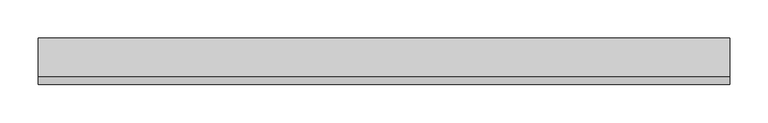
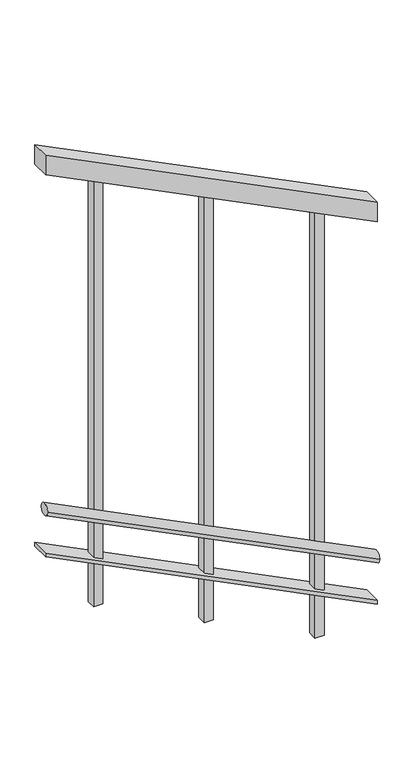
"""IFC4 building model written with IfcOpenShell, lengths in millimetres: railing geometry."""

from ifc_helpers import new_model, si_unit, frame, origin, place, context, project, spatial, polyline, ellipse_curve, outline, extrude, faceted_brep, source, transform, mapped, element, save
from ifc_brep_helpers import plane_surface, cylinder_surface, advanced_brep


def railing_c69ca63a(model_context):
    return source(origin(), model_context, "Body", "SolidModel", [
        faceted_brep([(-6718.2415088, 4316.9665973, -1950.0), (-6718.2415088, 4316.9665973, -2005.9016994), (-6718.2415088, 4366.9665973, -2005.9016994), (-6718.2415088, 4366.9665973, -1950.0), (-7618.2415088, 4316.9665973, -1500.0), (-7618.2415088, 4366.9665973, -1500.0), (-7618.2415088, 4366.9665973, -1555.9016994), (-7618.2415088, 4316.9665973, -1555.9016994)], [[[0, 1, 2, 3]], [[4, 5, 6, 7]], [[1, 0, 4, 7]], [[2, 1, 7, 6]], [[3, 2, 6, 5]], [[0, 3, 5, 4]]]),
        advanced_brep(
        [(-6718.2415088, 4336.9665973, -2966.7705098), (-6718.2415088, 4306.9665973, -2966.7705098), (-7618.2415088, 4336.9665973, -2516.7705098), (-7618.2415088, 4306.9665973, -2516.7705098)],
        [
            (0, 1, ellipse_curve(frame((-6718.2415088, 4321.9665973, -2966.7705098), z_axis=(1.0, 0.0, 0.0), x_axis=(0.0, 0.0, -1.0)), 16.7705098, 15.0)),
            (1, 0, ellipse_curve(frame((-6718.2415088, 4321.9665973, -2966.7705098), z_axis=(1.0, 0.0, 0.0), x_axis=(0.0, 0.0, -1.0)), 16.7705098, 15.0)),
            (2, 3, ellipse_curve(frame((-7618.2415088, 4321.9665973, -2516.7705098), z_axis=(-1.0, 0.0, 0.0), x_axis=(0.0, 0.0, -1.0)), 16.7705098, 15.0)),
            (3, 2, ellipse_curve(frame((-7618.2415088, 4321.9665973, -2516.7705098), z_axis=(-1.0, 0.0, 0.0), x_axis=(0.0, 0.0, -1.0)), 16.7705098, 15.0)),
            (0, 2),
            (3, 1),
        ],
        [
            plane_surface(frame((-6718.2415088, 4321.9665973, -2950.0), z_axis=(1.0, 0.0, 0.0), x_axis=(0.0, -1.0, 0.0))),
            plane_surface(frame((-7618.2415088, 4321.9665973, -2500.0), z_axis=(-1.0, 0.0, 0.0), x_axis=(0.0, -1.0, 0.0))),
            cylinder_surface(frame((-6724.9497128, 4321.9665973, -2963.4164079), z_axis=(0.894427190999916, 0.0, -0.447213595499958), x_axis=(0.0, -1.0, 0.0)), 15.0),
        ],
        [
            (0, [[1, 2]]),
            (1, [[3, 4]]),
            (2, [[-1, 5, -4, 6]]),
            (2, [[-2, -6, -3, -5]]),
        ],
    ),
        faceted_brep([(-6718.2415088, 4316.9665973, -3090.0), (-6718.2415088, 4316.9665973, -3101.1803399), (-6718.2415088, 4366.9665973, -3101.1803399), (-6718.2415088, 4366.9665973, -3090.0), (-7618.2415088, 4316.9665973, -2640.0), (-7618.2415088, 4366.9665973, -2640.0), (-7618.2415088, 4366.9665973, -2651.1803399), (-7618.2415088, 4316.9665973, -2651.1803399)], [[[0, 1, 2, 3]], [[4, 5, 6, 7]], [[1, 0, 4, 7]], [[2, 1, 7, 6]], [[3, 2, 6, 5]], [[0, 3, 5, 4]]]),
        extrude(outline(polyline([(-1637.1516994, -7455.7415088), (-1624.6516994, -7480.7415088), (-2850.0, -7480.7415088), (-2850.0, -7455.7415088), (-1637.1516994, -7455.7415088)])), frame((0.0, 4329.4665973, 0.0), z_axis=(0.0, 1.0, 0.0), x_axis=(0.0, 0.0, 1.0)), (0.0, 0.0, 1.0), 25.0),
        extrude(outline(polyline([(-1787.1516994, -7155.7415088), (-1774.6516994, -7180.7415088), (-3000.0, -7180.7415088), (-3000.0, -7155.7415088), (-1787.1516994, -7155.7415088)])), frame((0.0, 4329.4665973, 0.0), z_axis=(0.0, 1.0, 0.0), x_axis=(0.0, 0.0, 1.0)), (0.0, 0.0, 1.0), 25.0),
        extrude(outline(polyline([(-1937.1516994, -6855.7415088), (-1924.6516994, -6880.7415088), (-3150.0, -6880.7415088), (-3150.0, -6855.7415088), (-1937.1516994, -6855.7415088)])), frame((0.0, 4329.4665973, 0.0), z_axis=(0.0, 1.0, 0.0), x_axis=(0.0, 0.0, 1.0)), (0.0, 0.0, 1.0), 25.0),
    ])


if __name__ == "__main__":
    model = new_model("IFC4")
    model_context = context("Model", 3, world=origin())
    ifc_project = project(units=[si_unit("LENGTHUNIT", "METRE", prefix="MILLI")], contexts=[model_context])
    site = spatial("IfcSite", under=ifc_project)
    building = spatial("IfcBuilding", under=site)
    placement = place(None, origin())
    railing_shape = railing_c69ca63a(model_context)
    element("IfcRailing", 1, at=placement, inside=building, context=model_context, shape_type="MappedRepresentation", body=[
        mapped(railing_shape, transform((0.0, 0.0, 0.0), x_axis=(1.0, 0.0, 0.0), y_axis=(0.0, 1.0, 0.0), z_axis=(0.0, 0.0, 1.0))),
    ])
    save(model, "model.ifc")
